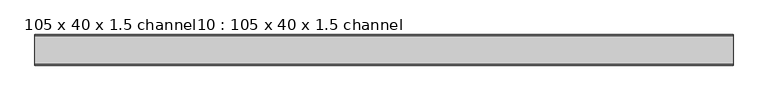
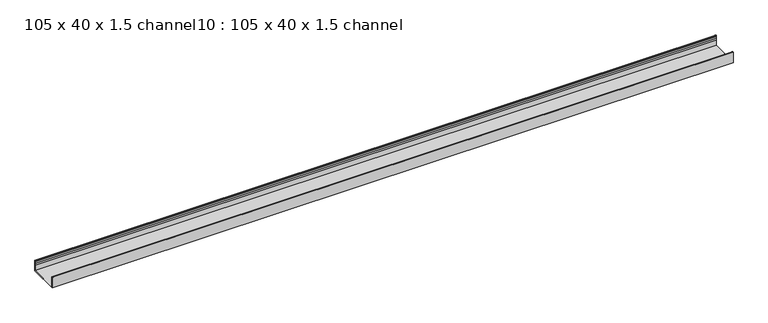
"""IFC4 building model written with IfcOpenShell, lengths in millimetres: proxy geometry, 105 x 40 x 1.5 channel10 : 105 x 40 x 1.5 channel."""

from ifc_helpers import new_model, si_unit, point, frame, frame_2d, origin, place, context, project, spatial, polyline, circle_curve, trimmed, segment, composite_curve, outline, extrude, source, transform, mapped, element, save


def proxy_105_x_40_x_1_5_channel10_105_x_40_x_1_5_channel_f6acbbda(model_context):
    return source(origin(), model_context, "Body", "SweptSolid", [
        extrude(outline(composite_curve([segment(trimmed(circle_curve(frame_2d((834.0503008, 32.0)), 10.0), [point((843.6256088, 29.1166898))], [point((843.6256088, 34.8833102))], True, "CARTESIAN"), True, "CONTINUOUS"), segment(polyline([(843.6256088, 34.8833102), (843.0503008, 38.8)]), True, "CONTINUOUS"), segment(trimmed(circle_curve(frame_2d((844.2503008, 38.8)), 1.2), [point((843.0503008, 38.8))], [point((845.4503008, 38.8))], False, "CARTESIAN"), True, "CONTINUOUS"), segment(polyline([(845.4503008, 38.8), (845.4503008, 0.0), (740.1503008, 0.0), (740.1503008, 38.8)]), True, "CONTINUOUS"), segment(trimmed(circle_curve(frame_2d((741.3503008, 38.8)), 1.2), [point((740.1503008, 38.8))], [point((742.5503008, 38.8))], False, "CARTESIAN"), True, "CONTINUOUS"), segment(polyline([(742.5503008, 38.8), (741.9749929, 34.8833102)]), True, "CONTINUOUS"), segment(trimmed(circle_curve(frame_2d((751.5503008, 32.0)), 10.0), [point((741.9749929, 34.8833102))], [point((741.9749929, 29.1166898))], True, "CARTESIAN"), True, "CONTINUOUS"), segment(trimmed(circle_curve(frame_2d((732.5503008, 25.77376)), 10.0), [point((741.9749929, 29.1166898))], [point((741.5503008, 21.4148611))], False, "CARTESIAN"), True, "CONTINUOUS"), segment(polyline([(741.5503008, 21.4148611), (741.5503008, 1.4), (844.0503008, 1.4), (844.0503008, 21.4148611)]), True, "CONTINUOUS"), segment(trimmed(circle_curve(frame_2d((853.0503008, 25.77376)), 10.0), [point((844.0503008, 21.4148611))], [point((843.6256088, 29.1166898))], False, "CARTESIAN"), True, "CONTINUOUS")], self_intersect=False)), frame((6744.6309284, 0.0, 0.0), z_axis=(1.0, 0.0, 0.0), x_axis=(0.0, 1.0, 0.0)), (0.0, 0.0, 1.0), 2400.0),
    ])


if __name__ == "__main__":
    model = new_model("IFC4")
    model_context = context("Model", 3, world=origin())
    ifc_project = project(units=[si_unit("LENGTHUNIT", "METRE", prefix="MILLI")], contexts=[model_context])
    site = spatial("IfcSite", under=ifc_project)
    building = spatial("IfcBuilding", under=site)
    placement = place(None, origin())
    proxy_105_x_40_x_1_5_channel10_105_x_40_x_1_5_channel_shape = proxy_105_x_40_x_1_5_channel10_105_x_40_x_1_5_channel_f6acbbda(model_context)
    element("IfcBuildingElementProxy", 1, Name="105 x 40 x 1.5 channel10 : 105 x 40 x 1.5 channel", ObjectType="105 x 40 x 1.5 channel10 : 105 x 40 x 1.5 channel", at=placement, inside=building, context=model_context, shape_type="MappedRepresentation", body=[
        mapped(proxy_105_x_40_x_1_5_channel10_105_x_40_x_1_5_channel_shape, transform((0.0, 0.0, 0.0), x_axis=(1.0, 0.0, 0.0), y_axis=(0.0, 1.0, 0.0), z_axis=(0.0, 0.0, 1.0))),
    ])
    save(model, "model.ifc")
